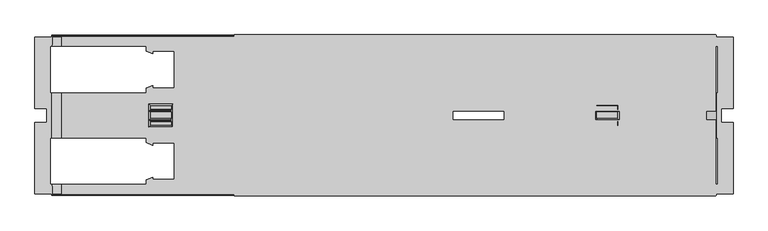
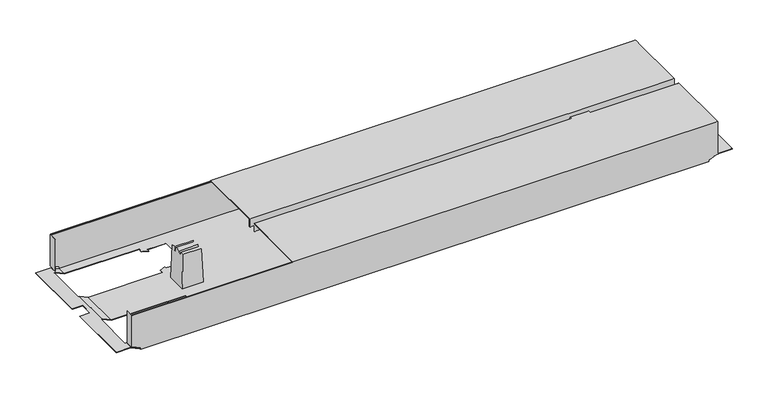
"""IFC4 building model written with IfcOpenShell, lengths in millimetres: furniture geometry."""

from ifc_helpers import new_model, si_unit, origin, place, context, project, spatial, triangles, source, transform, mapped, element, save


def furniture_f5a2ff1b(model_context):
    return source(origin(), model_context, "Body", "Tessellation", [
        triangles([(1956.4205785, 4070.0568829, 526.9999909), (1956.4205785, 4070.0568829, 507.9999879), (2984.4205485, 4070.0568829, 526.9999909), (2984.4205485, 4070.0568829, 507.9999879), (1956.4205785, 3908.9568779, 526.9999909), (2984.4205485, 3908.9568779, 526.9999909), (1956.4205785, 3908.9568779, 507.9999879), (2984.4205485, 3908.9568779, 507.9999879), (1956.4205785, 3907.9568845, 507.9999879), (2984.4205485, 3907.9568845, 507.9999879), (1956.4205785, 3907.9568845, 528.0000026), (2984.4205485, 3907.9568845, 528.0000026), (1956.4205785, 4071.0568854, 528.0000026), (2984.4205485, 4071.0568854, 528.0000026), (1956.4205785, 4071.0568854, 507.9999879), (2984.4205485, 4071.0568854, 507.9999879), (1956.4205785, 3888.1568939, 526.9999909), (1956.4205785, 3888.1568939, 507.9999879), (2984.4205485, 3888.1568939, 526.9999909), (2984.4205485, 3888.1568939, 507.9999879), (1956.4205785, 3727.0568799, 526.9999909), (2984.4205485, 3727.0568799, 526.9999909), (1956.4205785, 3727.0568799, 507.9999879), (2984.4205485, 3727.0568799, 507.9999879), (1956.4205785, 3726.0568683, 507.9999879), (2984.4205485, 3726.0568683, 507.9999879), (1956.4205785, 3726.0568683, 528.0000026), (2984.4205485, 3726.0568683, 528.0000026), (1956.4205785, 3889.1568692, 528.0000026), (2984.4205485, 3889.1568692, 528.0000026), (1956.4205785, 3889.1568692, 507.9999879), (2984.4205485, 3889.1568692, 507.9999879), (1588.9205902, 3727.0568799, 432.000012), (2963.920637, 3727.0568799, 432.000012), (1588.9205902, 3727.0568799, 435.9999859), (2963.920637, 3727.0568799, 435.9999859), (1568.9205937, 3727.0568799, 445.3260155), (2983.920579, 3727.0568799, 445.3260155), (1568.9205937, 3727.0568799, 526.0000156), (2983.920579, 3727.0568799, 526.0000156), (2985.9206023, 3727.0568799, 445.3260155), (2985.9206023, 3727.0568799, 526.0000156), (1566.9205886, 3727.0568799, 526.0000156), (1566.9205886, 3727.0568799, 445.3260155), (2533.5206, 3937.7568824, 432.000012), (2723.8206122, 3839.7568685, 432.000012), (2533.5206, 3859.3568713, 432.000012), (2723.8206122, 3761.3568938, 432.000012), (2473.3205682, 3848.5568765, 432.000012), (1829.0205787, 3761.3568938, 432.000012), (2423.3205678, 3848.5568765, 432.000012), (1829.0205787, 3839.7568685, 432.000012), (1829.0205787, 3957.3568851, 432.000012), (1768.8206013, 3946.5568903, 432.000012), (1782.6205766, 3957.3568851, 432.000012), (1768.8206013, 3956.8408738, 432.000012), (1782.6205766, 3962.5568766, 432.000012), (2487.1205979, 3937.7568824, 432.000012), (2473.3205682, 3948.5568772, 432.000012), (2723.8206122, 4035.756878, 432.000012), (2723.8206122, 3957.3568851, 432.000012), (2487.1205979, 3932.5568727, 432.000012), (2473.3205682, 3938.1748801, 432.000012), (1829.0205787, 4035.756878, 432.000012), (2423.3205678, 3948.5568772, 432.000012), (2487.1205979, 3859.3568713, 432.000012), (2473.3205682, 3858.9388736, 432.000012), (2487.1205979, 3864.5568809, 432.000012), (1768.8206013, 3750.556899, 432.000012), (2784.0205714, 3750.556899, 432.000012), (2963.920637, 3730.5568843, 432.000012), (2964.920576, 3750.556899, 432.000012), (2964.920576, 3730.5568843, 432.000012), (1588.9205902, 3730.5568843, 432.000012), (1587.9205967, 3750.556899, 432.000012), (1587.9205967, 3730.5568843, 432.000012), (1768.8206013, 3760.8408643, 432.000012), (1782.6205766, 3761.3568938, 432.000012), (2770.2205417, 3761.3568938, 432.000012), (1782.6205766, 3766.5568671, 432.000012), (1768.8206013, 3850.5568634, 432.000012), (1782.6205766, 3839.7568685, 432.000012), (1768.8206013, 3840.2728981, 432.000012), (1782.6205766, 3834.5568952, 432.000012), (1587.9205967, 3850.5568634, 432.000012), (1587.9205967, 3946.5568903, 432.000012), (1782.6205766, 4035.756878, 432.000012), (1768.8206013, 4046.556882, 432.000012), (2784.0205714, 4046.556882, 432.000012), (2770.2205417, 4035.756878, 432.000012), (2784.0205714, 4036.2728894, 432.000012), (2770.2205417, 4030.5568866, 432.000012), (1782.6205766, 4030.5568866, 432.000012), (1768.8206013, 4036.2728894, 432.000012), (1587.9205967, 4046.556882, 432.000012), (1588.9205902, 4066.5568785, 432.000012), (1588.9205902, 4070.0568829, 432.000012), (2963.920637, 4070.0568829, 432.000012), (1587.9205967, 4066.5568785, 432.000012), (2963.920637, 4066.5568785, 432.000012), (2964.920576, 4046.556882, 432.000012), (2964.920576, 4066.5568785, 432.000012), (2770.2205417, 3957.3568851, 432.000012), (2784.0205714, 3946.5568903, 432.000012), (2784.0205714, 3850.5568634, 432.000012), (2770.2205417, 3839.7568685, 432.000012), (2784.0205714, 3840.2728981, 432.000012), (2770.2205417, 3834.5568952, 432.000012), (2770.2205417, 3962.5568766, 432.000012), (2784.0205714, 3956.8408738, 432.000012), (2964.920576, 3946.5568903, 432.000012), (2964.920576, 3850.5568634, 432.000012), (2770.2205417, 3766.5568671, 432.000012), (2784.0205714, 3760.8408643, 432.000012), (2533.5206, 3859.3568713, 432.9999873), (2723.8206122, 3957.3568851, 432.9999873), (2533.5206, 3937.7568824, 432.9999873), (2723.8206122, 4035.756878, 432.9999873), (2473.3205682, 3948.5568772, 432.9999873), (1829.0205787, 4035.756878, 432.9999873), (2423.3205678, 3948.5568772, 432.9999873), (1829.0205787, 3957.3568851, 432.9999873), (1829.0205787, 3839.7568685, 432.9999873), (1768.8206013, 3850.5568634, 432.9999873), (1782.6205766, 3839.7568685, 432.9999873), (1768.8206013, 3840.2728981, 432.9999873), (1782.6205766, 3834.5568952, 432.9999873), (2487.1205979, 3859.3568713, 432.9999873), (2473.3205682, 3848.5568765, 432.9999873), (2723.8206122, 3761.3568938, 432.9999873), (2723.8206122, 3839.7568685, 432.9999873), (2487.1205979, 3864.5568809, 432.9999873), (2473.3205682, 3858.9388736, 432.9999873), (1829.0205787, 3761.3568938, 432.9999873), (2423.3205678, 3848.5568765, 432.9999873), (2487.1205979, 3937.7568824, 432.9999873), (2473.3205682, 3938.1748801, 432.9999873), (2487.1205979, 3932.5568727, 432.9999873), (2964.6986419, 4046.556882, 432.9999873), (2963.920637, 4066.5568785, 432.9999873), (2784.0205714, 4046.556882, 432.9999873), (2963.920637, 4069.0568803, 432.9999873), (1768.8206013, 4046.556882, 432.9999873), (1588.9205902, 4069.0568803, 432.9999873), (1588.9205902, 4066.5568785, 432.9999873), (2964.6986419, 4066.5568785, 432.9999873), (1588.1425945, 4066.5568785, 432.9999873), (1588.1425945, 4046.556882, 432.9999873), (1768.8206013, 4036.2728894, 432.9999873), (1782.6205766, 4035.756878, 432.9999873), (2770.2205417, 4035.756878, 432.9999873), (1782.6205766, 4030.5568866, 432.9999873), (1768.8206013, 3946.5568903, 432.9999873), (1782.6205766, 3957.3568851, 432.9999873), (1768.8206013, 3956.8408738, 432.9999873), (1782.6205766, 3962.5568766, 432.9999873), (1588.1425945, 3946.5568903, 432.9999873), (1588.1425945, 3850.5568634, 432.9999873), (1782.6205766, 3761.3568938, 432.9999873), (1768.8206013, 3750.556899, 432.9999873), (2784.0205714, 3750.556899, 432.9999873), (2770.2205417, 3761.3568938, 432.9999873), (2784.0205714, 3760.8408643, 432.9999873), (2770.2205417, 3766.5568671, 432.9999873), (1782.6205766, 3766.5568671, 432.9999873), (1768.8206013, 3760.8408643, 432.9999873), (1588.1425945, 3750.556899, 432.9999873), (1588.9205902, 3730.5568843, 432.9999873), (1588.9205902, 3728.0568915, 432.9999873), (2963.920637, 3728.0568915, 432.9999873), (1588.1425945, 3730.5568843, 432.9999873), (2963.920637, 3730.5568843, 432.9999873), (2964.6986419, 3750.556899, 432.9999873), (2964.6986419, 3730.5568843, 432.9999873), (2770.2205417, 3839.7568685, 432.9999873), (2784.0205714, 3850.5568634, 432.9999873), (2784.0205714, 3946.5568903, 432.9999873), (2770.2205417, 3957.3568851, 432.9999873), (2784.0205714, 3956.8408738, 432.9999873), (2770.2205417, 3962.5568766, 432.9999873), (2770.2205417, 3834.5568952, 432.9999873), (2784.0205714, 3840.2728981, 432.9999873), (2964.6986419, 3850.5568634, 432.9999873), (2964.6986419, 3946.5568903, 432.9999873), (2770.2205417, 4030.5568866, 432.9999873), (2784.0205714, 4036.2728894, 432.9999873), (1588.9205902, 3728.0568915, 435.9999859), (2963.920637, 3728.0568915, 435.9999859), (1568.9205937, 3728.0568915, 445.3260155), (2983.920579, 3728.0568915, 445.3260155), (2983.920579, 3728.0568915, 511.9999981), (2984.9206634, 3728.0568915, 445.3260155), (2984.9206634, 3728.0568915, 526.0000156), (2983.920579, 3728.0568915, 526.0000156), (1568.9205937, 3728.0568915, 511.9999981), (1567.9205911, 3728.0568915, 445.3260155), (1567.9205911, 3728.0568915, 526.0000156), (1568.9205937, 3728.0568915, 526.0000156), (1568.9205937, 4068.0568778, 526.0000156), (2983.920579, 4068.0568778, 526.0000156), (1568.9205937, 4068.3498831, 526.7069856), (2983.920579, 4068.3498831, 526.7069856), (1568.9205937, 4069.0568803, 526.9999909), (2983.920579, 4069.0568803, 526.9999909), (1568.9205937, 4069.7638775, 526.7069856), (2983.920579, 4069.7638775, 526.7069856), (1568.9205937, 4070.0568829, 526.0000156), (2983.920579, 4070.0568829, 526.0000156), (1568.9205937, 4068.0568778, 511.9999981), (2983.920579, 4068.0568778, 511.9999981), (1568.9205937, 4069.0568803, 511.9999981), (2983.920579, 4069.0568803, 511.9999981), (1568.9205937, 3729.0568668, 511.9999981), (2983.920579, 3729.0568668, 511.9999981), (1568.9205937, 3729.0568668, 526.0000156), (2983.920579, 3729.0568668, 526.0000156), (1568.9205937, 3727.3498853, 526.7069856), (2983.920579, 3727.3498853, 526.7069856), (1568.9205937, 3728.0568915, 526.9999909), (2983.920579, 3728.0568915, 526.9999909), (1568.9205937, 3728.7638978, 526.7069856), (2983.920579, 3728.7638978, 526.7069856), (1568.9205937, 4070.0568829, 445.3260155), (1566.9205886, 4070.0568829, 445.3260155), (1566.9205886, 4070.0568829, 526.0000156), (2983.920579, 4070.0568829, 445.3260155), (2985.9206023, 4070.0568829, 526.0000156), (2985.9206023, 4070.0568829, 445.3260155), (1588.9205902, 4070.0568829, 435.9999859), (2963.920637, 4070.0568829, 435.9999859), (2983.920579, 4069.0568803, 445.3260155), (1568.9205937, 4069.0568803, 445.3260155), (2963.920637, 4069.0568803, 435.9999859), (1588.9205902, 4069.0568803, 435.9999859), (2984.9206634, 4069.0568803, 445.3260155), (2984.9206634, 4069.0568803, 526.0000156), (2983.920579, 4069.0568803, 526.0000156), (1567.9205911, 4069.0568803, 445.3260155), (1567.9205911, 4069.0568803, 526.0000156), (1568.9205937, 4069.0568803, 526.0000156), (2986.3656333, 3850.5568634, 441.999983), (2986.3656333, 3946.5568903, 441.999983), (2989.0205585, 3850.5568634, 441.999983), (2989.0205585, 3946.5568903, 441.999983), (2996.9206576, 3913.5568879, 441.999983), (2989.0205585, 4046.556882, 441.999983), (3021.9205852, 4066.5568785, 441.999983), (2986.3656333, 4066.5568785, 441.999983), (2986.3656333, 4046.556882, 441.999983), (3021.9205852, 3913.5568879, 441.999983), (2996.9206576, 3883.556884, 441.999983), (2989.0205585, 3750.556899, 441.999983), (3021.9205852, 3730.5568843, 441.999983), (2986.3656333, 3730.5568843, 441.999983), (3021.9205852, 3883.556884, 441.999983), (2986.3656333, 3750.556899, 441.999983), (2989.0205585, 3850.5568634, 442.9999947), (2989.0205585, 3750.556899, 442.9999947), (2986.1435538, 3946.5568903, 442.9999947), (2986.1435538, 3850.5568634, 442.9999947), (2989.0205585, 4046.556882, 442.9999947), (2989.0205585, 3946.5568903, 442.9999947), (2996.9206576, 3913.5568879, 442.9999947), (3021.9205852, 4066.5568785, 442.9999947), (2986.1435538, 4066.5568785, 442.9999947), (2996.9206576, 3883.556884, 442.9999947), (3021.9205852, 3730.5568843, 442.9999947), (2986.1435538, 3730.5568843, 442.9999947), (2986.1435538, 3750.556899, 442.9999947), (3021.9205852, 3883.556884, 442.9999947), (3021.9205852, 3913.5568879, 442.9999947), (2986.1435538, 4046.556882, 442.9999947), (2984.9206634, 4050.0568773, 526.0000156), (2984.9206634, 4050.0568773, 445.3260155), (2985.9206023, 4050.0568773, 445.3260155), (2985.9206023, 4050.0568773, 526.0000156), (2984.9206634, 3747.0568946, 445.3260155), (2984.9206634, 3747.0568946, 526.0000156), (2985.9206023, 3747.0568946, 445.3260155), (2985.9206023, 3747.0568946, 526.0000156), (1566.9205886, 3747.0568946, 526.0000156), (1566.9205886, 3747.0568946, 445.3260155), (1567.9205911, 3747.0568946, 526.0000156), (1567.9205911, 3747.0568946, 445.3260155), (1566.9205886, 4050.0568773, 445.3260155), (1566.9205886, 4050.0568773, 526.0000156), (1567.9205911, 4050.0568773, 445.3260155), (1567.9205911, 4050.0568773, 526.0000156), (1566.6975917, 3946.5568903, 442.9999947), (1566.6975917, 3850.5568634, 442.9999947), (1566.4755939, 3850.5568634, 441.999983), (1566.4755939, 3946.5568903, 441.999983), (1563.8205961, 3750.556899, 441.999983), (1555.9205969, 3883.556884, 441.999983), (1563.8205961, 3850.5568634, 441.999983), (1555.9205969, 3913.5568879, 441.999983), (1563.8205961, 3946.5568903, 441.999983), (1563.8205961, 4046.556882, 441.999983), (1530.9205921, 4066.5568785, 441.999983), (1566.4755939, 4066.5568785, 441.999983), (1566.4755939, 3750.556899, 441.999983), (1566.4755939, 3730.5568843, 441.999983), (1530.9205921, 3730.5568843, 441.999983), (1530.9205921, 3883.556884, 441.999983), (1530.9205921, 3913.5568879, 441.999983), (1566.4755939, 4046.556882, 441.999983), (1530.9205921, 3883.556884, 442.9999947), (1530.9205921, 3730.5568843, 442.9999947), (1555.9205969, 3883.556884, 442.9999947), (1563.8205961, 3750.556899, 442.9999947), (1563.8205961, 3850.5568634, 442.9999947), (1566.6975917, 3730.5568843, 442.9999947), (1566.6975917, 3750.556899, 442.9999947), (1563.8205961, 3946.5568903, 442.9999947), (1555.9205969, 3913.5568879, 442.9999947), (1563.8205961, 4046.556882, 442.9999947), (1530.9205921, 4066.5568785, 442.9999947), (1566.6975917, 4066.5568785, 442.9999947), (1566.6975917, 4046.556882, 442.9999947), (1530.9205921, 3913.5568879, 442.9999947), (2775.9526046, 3891.6558809, 519.5000127), (2776.3015658, 3889.656875, 509.5000053), (2775.9526046, 3905.4578728, 519.5000127), (2776.3015658, 3907.4568786, 509.5000053), (2778.920592, 3874.0568825, 433.4999931), (2778.920592, 3923.0568894, 433.4999931), (2776.3015658, 3887.6568881, 509.5000053), (2775.9876315, 3876.9898793, 518.500001), (2775.9876315, 3885.85787, 518.500001), (2776.3015658, 3909.4568838, 509.5000053), (2775.9876315, 3920.1238744, 518.500001), (2775.9876315, 3911.2558837, 518.500001), (2730.8886401, 3891.6558809, 519.5000127), (2730.8886401, 3905.4578728, 519.5000127), (2730.5395335, 3889.656875, 509.5000053), (2730.5395335, 3907.4568786, 509.5000053), (2727.9206527, 3874.0568825, 433.4999931), (2727.9206527, 3923.0568894, 433.4999931), (2730.5395335, 3909.4568838, 509.5000053), (2730.8536132, 3920.1238744, 518.500001), (2730.8536132, 3911.2558837, 518.500001), (2730.5395335, 3887.6568881, 509.5000053), (2730.8536132, 3876.9898793, 518.500001), (2730.8536132, 3885.85787, 518.500001), (1821.9525871, 3891.6558809, 519.5000127), (1822.3015847, 3889.656875, 509.5000053), (1821.9525871, 3905.4578728, 519.5000127), (1822.3015847, 3907.4568786, 509.5000053), (1824.9205746, 3874.0568825, 433.4999931), (1824.9205746, 3923.0568894, 433.4999931), (1822.3015847, 3887.6568881, 509.5000053), (1821.9875777, 3876.9898793, 518.500001), (1821.9875777, 3885.85787, 518.500001), (1822.3015847, 3909.4568838, 509.5000053), (1821.9875777, 3920.1238744, 518.500001), (1821.9875777, 3911.2558837, 518.500001), (1776.8885863, 3891.6558809, 519.5000127), (1776.8885863, 3905.4578728, 519.5000127), (1776.5395887, 3889.656875, 509.5000053), (1776.5395887, 3907.4568786, 509.5000053), (1773.9205989, 3874.0568825, 433.4999931), (1773.9205989, 3923.0568894, 433.4999931), (1776.5395887, 3909.4568838, 509.5000053), (1776.8535957, 3920.1238744, 518.500001), (1776.8535957, 3911.2558837, 518.500001), (1776.5395887, 3887.6568881, 509.5000053), (1776.8535957, 3876.9898793, 518.500001), (1776.8535957, 3885.85787, 518.500001)], [[1, 2, 3], [3, 2, 4], [5, 1, 6], [6, 1, 3], [7, 5, 8], [8, 5, 6], [9, 7, 10], [10, 7, 8], [11, 9, 12], [12, 9, 10], [13, 11, 14], [14, 11, 12], [15, 13, 16], [16, 13, 14], [2, 15, 4], [4, 15, 16], [2, 1, 15], [15, 1, 13], [13, 1, 5], [13, 5, 11], [11, 5, 9], [9, 5, 7], [4, 16, 3], [14, 3, 16], [6, 3, 14], [12, 6, 14], [10, 6, 12], [10, 8, 6], [17, 18, 19], [19, 18, 20], [21, 17, 22], [22, 17, 19], [23, 21, 24], [24, 21, 22], [25, 23, 26], [26, 23, 24], [27, 25, 28], [28, 25, 26], [29, 27, 30], [30, 27, 28], [31, 29, 32], [32, 29, 30], [18, 31, 20], [20, 31, 32], [18, 17, 31], [31, 17, 29], [29, 17, 21], [29, 21, 27], [27, 21, 25], [25, 21, 23], [20, 32, 19], [30, 19, 32], [22, 19, 30], [28, 22, 30], [26, 22, 28], [26, 24, 22], [33, 34, 35], [35, 34, 36], [37, 35, 36], [37, 36, 38], [37, 38, 39], [39, 38, 40], [40, 38, 41], [40, 41, 42], [39, 43, 37], [37, 43, 44], [45, 46, 47], [47, 46, 48], [49, 47, 48], [50, 49, 48], [49, 50, 51], [51, 50, 52], [51, 52, 53], [53, 52, 54], [53, 54, 55], [55, 54, 56], [57, 55, 56], [45, 58, 59], [60, 45, 59], [45, 60, 61], [62, 63, 58], [58, 63, 59], [60, 59, 64], [64, 59, 65], [64, 65, 53], [53, 65, 51], [47, 49, 66], [66, 49, 67], [68, 66, 67], [33, 69, 34], [34, 69, 70], [34, 70, 71], [71, 70, 72], [71, 72, 73], [33, 74, 69], [69, 74, 75], [75, 74, 76], [69, 77, 78], [69, 78, 50], [69, 50, 70], [70, 50, 48], [70, 48, 79], [77, 80, 78], [54, 52, 81], [81, 52, 82], [81, 82, 83], [83, 82, 84], [85, 86, 81], [81, 86, 54], [64, 87, 88], [89, 64, 88], [64, 89, 60], [60, 89, 90], [90, 89, 91], [92, 90, 91], [93, 94, 87], [87, 94, 88], [95, 96, 88], [88, 96, 97], [98, 88, 97], [95, 99, 96], [88, 98, 89], [89, 98, 100], [89, 100, 101], [101, 100, 102], [61, 103, 104], [61, 104, 105], [61, 105, 46], [46, 105, 106], [106, 105, 107], [108, 106, 107], [109, 110, 103], [103, 110, 104], [111, 112, 104], [104, 112, 105], [113, 114, 79], [79, 114, 70], [45, 61, 46], [115, 116, 117], [117, 116, 118], [119, 117, 118], [120, 119, 118], [119, 120, 121], [121, 120, 122], [121, 122, 123], [123, 122, 124], [123, 124, 125], [125, 124, 126], [127, 125, 126], [115, 128, 129], [130, 115, 129], [115, 130, 131], [132, 133, 128], [128, 133, 129], [130, 129, 134], [134, 129, 135], [134, 135, 123], [123, 135, 121], [117, 119, 136], [136, 119, 137], [138, 136, 137], [139, 140, 141], [141, 140, 142], [143, 141, 142], [144, 143, 142], [143, 144, 145], [139, 146, 140], [147, 148, 145], [145, 148, 143], [143, 149, 150], [143, 150, 120], [143, 120, 141], [141, 120, 118], [141, 118, 151], [149, 152, 150], [124, 122, 153], [153, 122, 154], [153, 154, 155], [155, 154, 156], [157, 158, 153], [153, 158, 124], [134, 159, 160], [161, 134, 160], [134, 161, 130], [130, 161, 162], [162, 161, 163], [164, 162, 163], [165, 166, 159], [159, 166, 160], [167, 168, 160], [160, 168, 169], [170, 160, 169], [167, 171, 168], [160, 170, 161], [161, 170, 172], [161, 172, 173], [173, 172, 174], [131, 175, 176], [131, 176, 177], [131, 177, 116], [116, 177, 178], [178, 177, 179], [180, 178, 179], [181, 182, 175], [175, 182, 176], [183, 184, 176], [176, 184, 177], [185, 186, 151], [151, 186, 141], [115, 131, 116], [169, 187, 170], [170, 187, 188], [188, 187, 189], [190, 188, 189], [190, 189, 191], [190, 191, 192], [192, 191, 193], [193, 191, 194], [191, 189, 195], [195, 189, 196], [197, 195, 196], [197, 198, 195], [199, 200, 201], [201, 200, 202], [201, 202, 203], [203, 202, 204], [203, 204, 205], [205, 204, 206], [205, 206, 207], [207, 206, 208], [209, 210, 199], [199, 210, 200], [211, 212, 209], [209, 212, 210], [213, 214, 195], [195, 214, 191], [215, 216, 213], [213, 216, 214], [39, 40, 217], [217, 40, 218], [217, 218, 219], [219, 218, 220], [219, 220, 221], [221, 220, 222], [221, 222, 215], [215, 222, 216], [208, 223, 207], [207, 223, 224], [207, 224, 225], [223, 208, 226], [226, 208, 227], [226, 227, 228], [223, 226, 229], [229, 226, 230], [229, 230, 97], [97, 230, 98], [231, 232, 233], [233, 232, 234], [233, 234, 144], [232, 231, 212], [212, 231, 235], [236, 212, 235], [236, 237, 212], [212, 211, 232], [232, 211, 238], [238, 211, 239], [239, 211, 240], [144, 142, 233], [45, 47, 117], [117, 47, 115], [47, 66, 115], [115, 66, 128], [133, 132, 67], [67, 132, 68], [67, 49, 133], [133, 49, 129], [49, 51, 129], [129, 51, 135], [58, 45, 136], [136, 45, 117], [137, 119, 63], [63, 119, 59], [63, 62, 137], [137, 62, 138], [65, 59, 121], [121, 59, 119], [62, 58, 138], [138, 58, 136], [51, 65, 135], [135, 65, 121], [132, 128, 68], [68, 128, 66], [46, 106, 131], [131, 106, 175], [106, 108, 175], [175, 108, 181], [48, 46, 130], [130, 46, 131], [108, 107, 181], [181, 107, 182], [107, 105, 182], [182, 105, 176], [70, 114, 161], [161, 114, 163], [114, 113, 163], [163, 113, 164], [113, 79, 164], [164, 79, 162], [79, 48, 162], [162, 48, 130], [109, 103, 180], [180, 103, 178], [103, 61, 178], [178, 61, 116], [104, 110, 177], [177, 110, 179], [110, 109, 179], [179, 109, 180], [61, 60, 116], [116, 60, 118], [60, 90, 118], [118, 90, 151], [91, 89, 186], [186, 89, 141], [186, 185, 91], [91, 185, 92], [185, 151, 92], [92, 151, 90], [241, 242, 243], [243, 242, 244], [243, 244, 245], [245, 244, 246], [245, 246, 247], [247, 246, 248], [248, 246, 249], [247, 250, 245], [245, 251, 243], [252, 243, 251], [253, 252, 251], [252, 253, 254], [251, 255, 253], [254, 256, 252], [243, 252, 257], [257, 252, 258], [111, 242, 112], [112, 242, 241], [259, 184, 260], [260, 184, 183], [246, 244, 261], [261, 244, 262], [260, 257, 259], [259, 257, 262], [262, 257, 263], [261, 262, 263], [264, 261, 263], [261, 264, 265], [263, 257, 266], [266, 257, 258], [266, 258, 267], [267, 258, 268], [268, 258, 269], [267, 270, 266], [263, 271, 264], [265, 272, 261], [273, 236, 274], [274, 236, 235], [275, 228, 276], [276, 228, 227], [102, 248, 101], [101, 248, 249], [265, 146, 272], [272, 146, 139], [264, 271, 247], [247, 271, 250], [271, 263, 250], [250, 263, 245], [270, 267, 255], [255, 267, 253], [255, 251, 270], [270, 251, 266], [263, 266, 245], [245, 266, 251], [72, 256, 73], [73, 256, 254], [174, 268, 173], [173, 268, 269], [277, 192, 278], [278, 192, 193], [277, 278, 279], [279, 278, 280], [41, 279, 42], [42, 279, 280], [277, 279, 192], [41, 192, 279], [192, 41, 38], [38, 190, 192], [275, 276, 274], [274, 276, 273], [81, 83, 124], [124, 83, 126], [83, 84, 126], [126, 84, 127], [82, 52, 125], [125, 52, 123], [52, 50, 123], [123, 50, 134], [50, 78, 134], [134, 78, 159], [166, 165, 77], [77, 165, 80], [77, 69, 166], [166, 69, 160], [78, 80, 159], [159, 80, 165], [84, 82, 127], [127, 82, 125], [53, 55, 122], [122, 55, 154], [55, 57, 154], [154, 57, 156], [57, 56, 156], [156, 56, 155], [152, 149, 93], [93, 149, 94], [93, 87, 152], [152, 87, 150], [87, 64, 150], [150, 64, 120], [88, 94, 143], [143, 94, 149], [56, 54, 155], [155, 54, 153], [64, 53, 120], [120, 53, 122], [43, 281, 44], [44, 281, 282], [283, 197, 284], [284, 197, 196], [224, 285, 225], [225, 285, 286], [287, 285, 238], [224, 238, 285], [238, 224, 223], [223, 232, 238], [239, 288, 238], [238, 288, 287], [157, 289, 158], [158, 289, 290], [85, 291, 86], [86, 291, 292], [293, 294, 295], [295, 294, 296], [295, 296, 297], [298, 297, 296], [299, 298, 296], [298, 299, 300], [301, 302, 293], [293, 302, 303], [294, 293, 303], [294, 303, 304], [296, 305, 299], [300, 306, 298], [297, 292, 295], [295, 292, 291], [307, 308, 309], [309, 308, 310], [309, 310, 311], [308, 312, 310], [310, 312, 313], [290, 289, 311], [311, 289, 314], [311, 314, 315], [315, 314, 316], [315, 316, 317], [317, 316, 318], [318, 316, 319], [317, 320, 315], [315, 309, 311], [297, 298, 314], [314, 298, 316], [293, 295, 310], [310, 295, 311], [283, 284, 281], [281, 284, 282], [312, 171, 313], [313, 171, 167], [143, 148, 88], [88, 148, 95], [95, 148, 306], [319, 306, 148], [306, 319, 316], [316, 298, 306], [145, 96, 147], [147, 96, 99], [300, 147, 99], [299, 317, 300], [318, 300, 317], [147, 300, 318], [140, 100, 142], [98, 142, 100], [230, 142, 98], [230, 233, 142], [248, 102, 146], [146, 102, 100], [146, 100, 140], [146, 265, 248], [264, 248, 265], [248, 264, 247], [177, 184, 104], [104, 184, 111], [111, 184, 242], [259, 242, 184], [242, 259, 262], [262, 244, 242], [257, 260, 241], [183, 241, 260], [241, 183, 112], [112, 183, 105], [105, 183, 176], [241, 243, 257], [161, 173, 70], [70, 173, 72], [72, 173, 256], [269, 256, 173], [256, 269, 258], [258, 252, 256], [267, 268, 254], [174, 254, 268], [254, 174, 73], [73, 174, 71], [71, 174, 172], [254, 253, 267], [168, 74, 169], [33, 169, 74], [35, 169, 33], [35, 187, 169], [95, 306, 99], [99, 306, 300], [76, 302, 75], [75, 302, 301], [147, 318, 148], [148, 318, 319], [297, 314, 292], [292, 314, 289], [157, 292, 289], [153, 54, 157], [86, 157, 54], [292, 157, 86], [293, 310, 301], [301, 310, 313], [167, 301, 313], [160, 69, 167], [75, 167, 69], [301, 167, 75], [312, 302, 171], [76, 171, 302], [171, 76, 74], [312, 308, 302], [302, 308, 303], [74, 168, 171], [304, 303, 307], [307, 303, 308], [307, 309, 304], [304, 309, 294], [309, 315, 294], [294, 315, 296], [315, 320, 296], [296, 320, 305], [320, 317, 305], [305, 317, 299], [124, 158, 81], [81, 158, 85], [85, 158, 291], [290, 291, 158], [291, 290, 311], [311, 295, 291], [35, 37, 187], [187, 37, 189], [189, 37, 196], [196, 37, 44], [282, 196, 44], [282, 284, 196], [283, 281, 197], [43, 197, 281], [197, 43, 39], [39, 198, 197], [39, 217, 198], [198, 217, 219], [198, 219, 221], [221, 215, 198], [195, 198, 213], [213, 198, 215], [214, 216, 191], [191, 216, 194], [216, 222, 194], [194, 222, 220], [194, 220, 218], [218, 40, 194], [194, 40, 193], [42, 193, 40], [280, 193, 42], [280, 278, 193], [38, 36, 190], [190, 36, 188], [188, 36, 170], [34, 170, 36], [71, 170, 34], [71, 172, 170], [246, 261, 249], [249, 261, 272], [139, 249, 272], [141, 89, 139], [101, 139, 89], [249, 139, 101], [230, 226, 233], [233, 226, 231], [231, 226, 235], [228, 235, 226], [275, 235, 228], [275, 274, 235], [273, 276, 236], [227, 236, 276], [208, 236, 227], [208, 237, 236], [208, 206, 237], [237, 206, 204], [237, 204, 202], [202, 200, 237], [212, 237, 210], [210, 237, 200], [209, 199, 211], [211, 199, 240], [199, 201, 240], [240, 201, 203], [240, 203, 205], [205, 207, 240], [240, 207, 239], [225, 239, 207], [286, 239, 225], [286, 288, 239], [286, 285, 288], [288, 285, 287], [223, 229, 232], [232, 229, 234], [234, 229, 144], [97, 144, 229], [96, 144, 97], [96, 145, 144], [323, 321, 322], [323, 322, 324], [324, 322, 325], [324, 325, 326], [322, 327, 325], [325, 327, 328], [328, 327, 329], [324, 326, 330], [331, 330, 326], [330, 331, 332], [335, 333, 334], [335, 334, 336], [337, 335, 336], [337, 336, 338], [338, 336, 339], [338, 339, 340], [340, 339, 341], [335, 337, 342], [343, 342, 337], [342, 343, 344], [321, 323, 333], [333, 323, 334], [322, 321, 333], [322, 333, 335], [334, 323, 324], [334, 324, 336], [324, 330, 336], [336, 330, 339], [330, 332, 341], [330, 341, 339], [332, 331, 341], [341, 331, 340], [340, 331, 326], [340, 326, 338], [327, 322, 342], [342, 322, 335], [344, 329, 327], [344, 327, 342], [328, 329, 343], [343, 329, 344], [325, 328, 343], [325, 343, 337], [326, 325, 338], [338, 325, 337], [347, 345, 346], [347, 346, 348], [348, 346, 349], [348, 349, 350], [346, 351, 349], [349, 351, 352], [352, 351, 353], [348, 350, 354], [355, 354, 350], [354, 355, 356], [359, 357, 358], [359, 358, 360], [361, 359, 360], [361, 360, 362], [362, 360, 363], [362, 363, 364], [364, 363, 365], [359, 361, 366], [367, 366, 361], [366, 367, 368], [345, 347, 357], [357, 347, 358], [346, 345, 357], [346, 357, 359], [358, 347, 348], [358, 348, 360], [348, 354, 360], [360, 354, 363], [354, 356, 365], [354, 365, 363], [356, 355, 365], [365, 355, 364], [364, 355, 350], [364, 350, 362], [351, 346, 366], [366, 346, 359], [368, 353, 351], [368, 351, 366], [352, 353, 367], [367, 353, 368], [349, 352, 367], [349, 367, 361], [350, 349, 362], [362, 349, 361]]),
    ])


if __name__ == "__main__":
    model = new_model("IFC4")
    model_context = context("Model", 3, world=origin())
    ifc_project = project(units=[si_unit("LENGTHUNIT", "METRE", prefix="MILLI")], contexts=[model_context])
    site = spatial("IfcSite", under=ifc_project)
    building = spatial("IfcBuilding", under=site)
    placement = place(None, origin())
    furniture_shape = furniture_f5a2ff1b(model_context)
    element("IfcFurniture", 1, at=placement, inside=building, context=model_context, shape_type="MappedRepresentation", body=[
        mapped(furniture_shape, transform((0.0, 0.0, 0.0), x_axis=(1.0, 0.0, 0.0), y_axis=(0.0, 1.0, 0.0), z_axis=(0.0, 0.0, 1.0))),
    ])
    save(model, "model.ifc")
